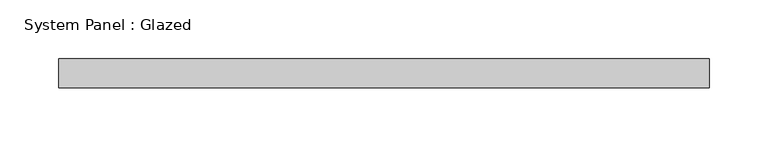
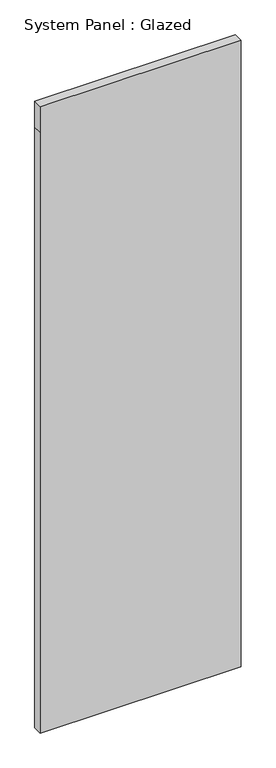
"""IFC4 building model written with IfcOpenShell, lengths in millimetres: plate geometry, System Panel : Glazed."""

from ifc_helpers import new_model, si_unit, frame, origin, place, context, project, spatial, polyline, outline, extrude, source, transform, mapped, element, save


def system_panel_glazed_46a118ee(model_context):
    return source(origin(), model_context, "Body", "SweptSolid", [
        extrude(outline(polyline([(0.0, -277.5), (0.0, 277.5), (1753.3333333, 277.5), (1828.3333333, 277.5), (1828.3333333, -277.5), (1753.3333333, -277.5), (0.0, -277.5)])), frame((0.0, -49.5, 0.0), z_axis=(0.0, 1.0, 0.0), x_axis=(0.0, 0.0, 1.0)), (0.0, 0.0, 1.0), 25.0),
    ])


if __name__ == "__main__":
    model = new_model("IFC4")
    model_context = context("Model", 3, world=origin())
    ifc_project = project(units=[si_unit("LENGTHUNIT", "METRE", prefix="MILLI")], contexts=[model_context])
    site = spatial("IfcSite", under=ifc_project)
    building = spatial("IfcBuilding", under=site)
    placement = place(None, origin())
    system_panel_glazed_shape = system_panel_glazed_46a118ee(model_context)
    element("IfcPlate", 1, ObjectType="System Panel : Glazed", at=placement, inside=building, context=model_context, shape_type="MappedRepresentation", body=[
        mapped(system_panel_glazed_shape, transform((0.0, 0.0, 0.0), x_axis=(1.0, 0.0, 0.0), y_axis=(0.0, 1.0, 0.0), z_axis=(0.0, 0.0, 1.0))),
    ])
    save(model, "model.ifc")
